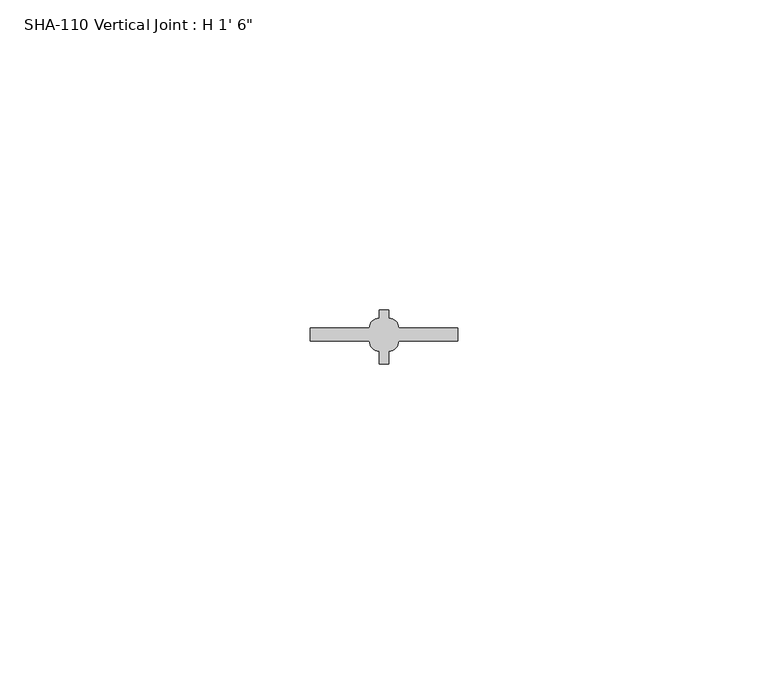
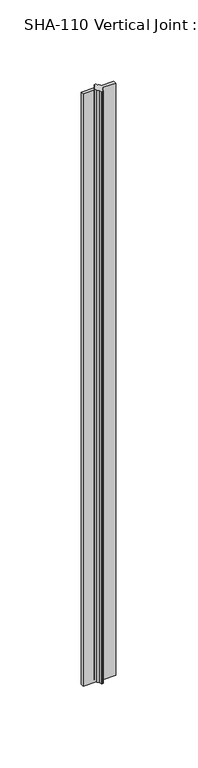
"""IFC4 building model written with IfcOpenShell, lengths in millimetres: proxy geometry."""

from ifc_helpers import new_model, si_unit, point, frame_2d, origin, origin_with_axes, place, context, project, spatial, polyline, circle_curve, trimmed, segment, composite_curve, outline, extrude, source, transform, mapped, element, save


def proxy_f4e9e178(model_context):
    return source(origin(), model_context, "Body", "SweptSolid", [
        extrude(outline(composite_curve([segment(polyline([(14.2494, 5.8293), (23.7744, 5.8293), (23.7744, 3.6957), (14.2494, 3.6957)]), True, "CONTINUOUS"), segment(trimmed(circle_curve(frame_2d((12.6746, 3.6957)), 1.5748), [point((14.2494, 3.6957))], [point((12.6746, 2.1209))], False, "CARTESIAN"), True, "CONTINUOUS"), segment(polyline([(12.6746, 2.1209), (12.6746, 0.0), (11.8872, 0.0), (11.0998, 0.0), (11.0998, 2.1209)]), True, "CONTINUOUS"), segment(trimmed(circle_curve(frame_2d((11.0998, 3.6957)), 1.5748), [point((11.0998, 2.1209))], [point((9.525, 3.6957))], False, "CARTESIAN"), True, "CONTINUOUS"), segment(polyline([(9.525, 3.6957), (0.0, 3.6957), (0.0, 5.8293), (9.525, 5.8293)]), True, "CONTINUOUS"), segment(trimmed(circle_curve(frame_2d((11.0998, 5.8293)), 1.5748), [point((9.525, 5.8293))], [point((11.0998, 7.4041))], False, "CARTESIAN"), True, "CONTINUOUS"), segment(polyline([(11.0998, 7.4041), (11.0998, 8.73125), (11.8872, 8.73125), (12.6746, 8.73125), (12.6746, 7.4041)]), True, "CONTINUOUS"), segment(trimmed(circle_curve(frame_2d((12.6746, 5.8293)), 1.5748), [point((12.6746, 7.4041))], [point((14.2494, 5.8293))], False, "CARTESIAN"), True, "CONTINUOUS")], self_intersect=False)), origin_with_axes(), (0.0, 0.0, 1.0), 457.2),
    ])


if __name__ == "__main__":
    model = new_model("IFC4")
    model_context = context("Model", 3, world=origin())
    ifc_project = project(units=[si_unit("LENGTHUNIT", "METRE", prefix="MILLI")], contexts=[model_context])
    site = spatial("IfcSite", under=ifc_project)
    building = spatial("IfcBuilding", under=site)
    placement = place(None, origin())
    proxy_shape = proxy_f4e9e178(model_context)
    element("IfcBuildingElementProxy", 1, Name="SHA-110 Vertical Joint : H 1' 6\"", ObjectType="SHA-110 Vertical Joint : H 1' 6\"", at=placement, inside=building, context=model_context, shape_type="MappedRepresentation", body=[
        mapped(proxy_shape, transform((0.0, 0.0, 0.0), x_axis=(1.0, 0.0, 0.0), y_axis=(0.0, 1.0, 0.0), z_axis=(0.0, 0.0, 1.0))),
    ])
    save(model, "model.ifc")
